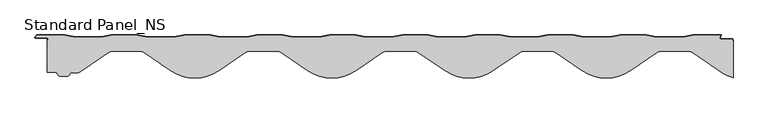
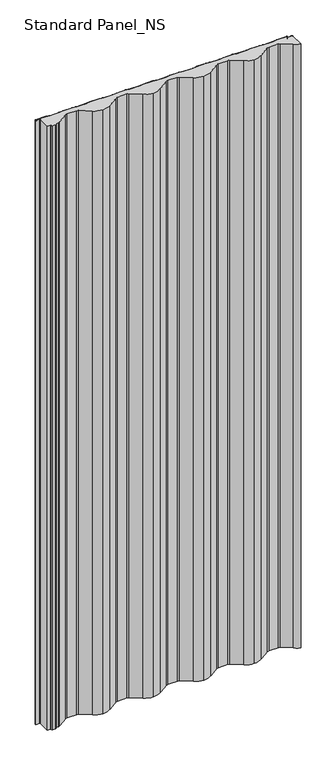
"""IFC4 building model written with IfcOpenShell, lengths in millimetres: proxy geometry, Standard Panel_NS."""

from ifc_helpers import new_model, si_unit, point, frame, frame_2d, origin, origin_with_axes, place, context, project, spatial, polyline, circle_curve, trimmed, segment, composite_curve, outline, extrude, source, transform, mapped, element, save
from ifc_brep_helpers import plane_surface, cylinder_surface, revolved_surface, advanced_brep


def standard_panel_ns_5efe42e7(model_context):
    return source(origin(), model_context, "Body", "SolidModel", [
        advanced_brep(
        [(395.5323329, -23.5, 2527.968552), (434.1321477, -23.5, 2527.968552), (440.3874796, -25.4959769, 2527.968552), (477.7645921, -50.7322407, 2527.968552), (500.0000907, -62.14035, 2527.968552), (500.0000907, -9.4001722, 2527.968552), (499.2000907, -9.4001722, 2527.968552), (499.2000907, -7.4001714, 2527.968552), (497.9000914, -6.1001721, 2527.968552), (482.3140213, -6.1001721, 2527.968552), (480.8040321, -3.3204106, 2527.968552), (482.4394089, -0.8, 2527.968552), (441.3313007, -0.8, 2527.968552), (426.3313007, -3.3, 2527.968552), (388.1988807, -3.3, 2527.968552), (373.1988807, -0.8, 2527.968552), (335.3313007, -0.8, 2527.968552), (320.3313007, -3.3, 2527.968552), (282.1988807, -3.3, 2527.968552), (267.1988807, -0.8, 2527.968552), (229.3313007, -0.8, 2527.968552), (214.3313007, -3.3, 2527.968552), (176.1988807, -3.3, 2527.968552), (161.1988807, -0.8, 2527.968552), (123.3313007, -0.8, 2527.968552), (108.3313007, -3.3, 2527.968552), (70.1988807, -3.3, 2527.968552), (55.1988807, -0.8, 2527.968552), (17.3313007, -0.8, 2527.968552), (2.3313007, -3.3, 2527.968552), (-35.8011193, -3.3, 2527.968552), (-50.8011193, -0.8, 2527.968552), (-88.6686993, -0.8, 2527.968552), (-103.6686993, -3.3, 2527.968552), (-141.8011193, -3.3, 2527.968552), (-156.8011193, -0.8, 2527.968552), (-194.6686993, -0.8, 2527.968552), (-209.6686993, -3.3, 2527.968552), (-247.8011193, -3.3, 2527.968552), (-262.8011193, -0.8, 2527.968552), (-300.6686993, -0.8, 2527.968552), (-315.6686993, -3.3, 2527.968552), (-353.8011193, -3.3, 2527.968552), (-368.8011193, -0.8, 2527.968552), (-406.6686993, -0.8, 2527.968552), (-421.6686993, -3.3, 2527.968552), (-459.8011193, -3.3, 2527.968552), (-474.8011193, -0.8, 2527.968552), (-515.6532927, -0.8, 2527.968552), (-517.7297352, -4.0001723, 2527.968552), (-501.399909, -4.0001723, 2527.968552), (-499.1999093, -6.2001721, 2527.968552), (-499.1999093, -8.130172, 2527.968552), (-499.9999093, -8.130172, 2527.968552), (-499.9999093, -54.4964332, 2527.968552), (-487.3351296, -55.0947438, 2527.968552), (-485.5592106, -56.6012998, 2527.968552), (-482.1786224, -60.0466465, 2527.968552), (-470.5868875, -60.0466486, 2527.968552), (-467.2062902, -56.6011784, 2527.968552), (-465.4302124, -55.09444, 2527.968552), (-456.0900423, -55.09444, 2527.968552), (-453.5825161, -54.3696166, 2527.968552), (-450.2545801, -52.1086168, 2527.968552), (-410.7229082, -25.4954367, 2527.968552), (-404.4674259, -23.4994091, 2527.968552), (-365.8686419, -23.4994091, 2527.968552), (-359.6038439, -25.5038768, 2527.968552), (-320.0592959, -52.1248963, 2527.968552), (-285.1677597, -63.5, 2527.968552), (-250.2544324, -52.1089905, 2527.968552), (-210.7229991, -25.4959769, 2527.968552), (-204.4676671, -23.5, 2527.968552), (-165.8676528, -23.5, 2527.968552), (-159.6084129, -25.4988938, 2527.968552), (-120.081087, -52.1089905, 2527.968552), (-85.1677597, -63.5, 2527.968552), (-50.2544324, -52.1089905, 2527.968552), (-10.7229991, -25.4959769, 2527.968552), (-4.4676671, -23.5, 2527.968552), (34.1323473, -23.5, 2527.968552), (40.3915871, -25.4988938, 2527.968552), (79.918913, -52.1089905, 2527.968552), (114.8322403, -63.5, 2527.968552), (149.7455676, -52.1089905, 2527.968552), (189.2770009, -25.4959769, 2527.968552), (195.5323329, -23.5, 2527.968552), (234.1323472, -23.5, 2527.968552), (240.3915871, -25.4988938, 2527.968552), (279.918913, -52.1089905, 2527.968552), (314.8322403, -63.5, 2527.968552), (349.7455676, -52.1089905, 2527.968552), (389.2770009, -25.4959769, 2527.968552), (395.5323329, -23.5, 0.0), (389.2770009, -25.4959769, 0.0), (349.7455676, -52.1089905, 0.0), (314.8322403, -63.5, 0.0), (279.918913, -52.1089905, 0.0), (240.3915864, -25.4988948, 0.0), (234.1323472, -23.5, 0.0), (195.5323329, -23.5, 0.0), (189.2770009, -25.4959769, 0.0), (149.7455676, -52.1089905, 0.0), (114.8322403, -63.5, 0.0), (79.918913, -52.1089905, 0.0), (40.3915864, -25.4988948, 0.0), (34.1323473, -23.5, 0.0), (-4.4676671, -23.5, 0.0), (-10.7229991, -25.4959769, 0.0), (-50.2544324, -52.1089905, 0.0), (-85.1677597, -63.5, 0.0), (-120.081087, -52.1089905, 0.0), (-159.6084136, -25.4988948, 0.0), (-165.8676528, -23.5, 0.0), (-204.4676671, -23.5, 0.0), (-210.7229991, -25.4959769, 0.0), (-250.2544324, -52.1089905, 0.0), (-285.1677597, -63.5, 0.0), (-320.0592959, -52.1248963, 0.0), (-359.6038434, -25.503876, 0.0), (-365.8686419, -23.4994091, 0.0), (-404.4674259, -23.4994091, 0.0), (-410.7229092, -25.4954353, 0.0), (-450.2545801, -52.1086168, 0.0), (-453.5825162, -54.3696165, 0.0), (-456.0900423, -55.09444, 0.0), (-465.4302124, -55.09444, 0.0), (-467.2062902, -56.6011784, 0.0), (-470.5868875, -60.0466486, 0.0), (-482.1786224, -60.0466465, 0.0), (-485.5592106, -56.6012998, 0.0), (-487.3351296, -55.0947436, 0.0), (-499.9999093, -54.4964332, 0.0), (-499.9999093, -8.130172, 0.0), (-499.1999093, -8.130172, 0.0), (-499.1999093, -6.2001721, 0.0), (-501.399909, -4.0001723, 0.0), (-517.7297352, -4.0001723, 0.0), (-515.6532927, -0.8, 0.0), (-474.8011193, -0.8, 0.0), (-459.8011193, -3.3, 0.0), (-421.6686993, -3.3, 0.0), (-406.6686993, -0.8, 0.0), (-368.8011193, -0.8, 0.0), (-353.8011193, -3.3, 0.0), (-315.6686993, -3.3, 0.0), (-300.6686993, -0.8, 0.0), (-262.8011193, -0.8, 0.0), (-247.8011193, -3.3, 0.0), (-209.6686993, -3.3, 0.0), (-194.6686993, -0.8, 0.0), (-156.8011193, -0.8, 0.0), (-141.8011193, -3.3, 0.0), (-103.6686993, -3.3, 0.0), (-88.6686993, -0.8, 0.0), (-50.8011193, -0.8, 0.0), (-35.8011193, -3.3, 0.0), (2.3313007, -3.3, 0.0), (17.3313007, -0.8, 0.0), (55.1988807, -0.8, 0.0), (70.1988807, -3.3, 0.0), (108.3313007, -3.3, 0.0), (123.3313007, -0.8, 0.0), (161.1988807, -0.8, 0.0), (176.1988807, -3.3, 0.0), (214.3313007, -3.3, 0.0), (229.3313007, -0.8, 0.0), (267.1988807, -0.8, 0.0), (282.1988807, -3.3, 0.0), (320.3313007, -3.3, 0.0), (335.3313007, -0.8, 0.0), (373.1988807, -0.8, 0.0), (388.1988807, -3.3, 0.0), (426.3313007, -3.3, 0.0), (441.3313007, -0.8, 0.0), (482.4394089, -0.8, 0.0), (480.8040321, -3.3204106, 0.0), (482.3140213, -6.1001721, 0.0), (497.9000914, -6.1001721, 0.0), (499.2000907, -7.4001714, 0.0), (499.2000907, -9.4001722, 0.0), (500.0000907, -9.4001722, 0.0), (500.0000907, -62.14035, 0.0), (477.7645921, -50.7322407, 0.0), (440.3874796, -25.4959769, 0.0), (434.1321477, -23.5, 0.0)],
        [
            (0, 1),
            (1, 2, circle_curve(frame((434.1321477, -34.3, 2527.968552), z_axis=(0.0, 0.0, -1.0), x_axis=(1.0, 0.0, 0.0)), 10.8)),
            (2, 3, circle_curve(frame((987.5778771, 744.6433117, 2527.968552), z_axis=(0.0, 0.0, 1.0), x_axis=(1.0, 0.0, 0.0)), 944.7390407)),
            (3, 4, circle_curve(frame((515.2973576, -4.9508962, 2527.968552), z_axis=(0.0, 0.0, 1.0), x_axis=(1.0, 0.0, 0.0)), 59.2)),
            (4, 5),
            (5, 6),
            (6, 7),
            (7, 8, circle_curve(frame((497.9000914, -7.4001714, 2527.968552), z_axis=(0.0, 0.0, 1.0), x_axis=(1.0, 0.0, 0.0)), 1.2999993)),
            (8, 9),
            (9, 10, circle_curve(frame((482.3140213, -4.3001721, 2527.968552), z_axis=(0.0, 0.0, -1.0), x_axis=(1.0, 0.0, 0.0)), 1.8)),
            (10, 11),
            (11, 12),
            (12, 13),
            (13, 14),
            (14, 15),
            (15, 16),
            (16, 17),
            (17, 18),
            (18, 19),
            (19, 20),
            (20, 21),
            (21, 22),
            (22, 23),
            (23, 24),
            (24, 25),
            (25, 26),
            (26, 27),
            (27, 28),
            (28, 29),
            (29, 30),
            (30, 31),
            (31, 32),
            (32, 33),
            (33, 34),
            (34, 35),
            (35, 36),
            (36, 37),
            (37, 38),
            (38, 39),
            (39, 40),
            (40, 41),
            (41, 42),
            (42, 43),
            (43, 44),
            (44, 45),
            (45, 46),
            (46, 47),
            (47, 48),
            (48, 49),
            (49, 50),
            (50, 51, circle_curve(frame((-501.399909, -6.2001721, 2527.968552), z_axis=(0.0, 0.0, -1.0), x_axis=(1.0, 0.0, 0.0)), 2.1999997)),
            (51, 52),
            (52, 53),
            (53, 54),
            (54, 55, circle_curve(frame((-487.3351296, 79.2457036, 2527.968552), z_axis=(0.0, 0.0, 1.0), x_axis=(1.0, 0.0, 0.0)), 134.3404474)),
            (55, 56, circle_curve(frame((-487.3351296, -56.8947428, 2527.968552), z_axis=(0.0, 0.0, -1.0), x_axis=(1.0, 0.0, 0.0)), 1.7999992)),
            (56, 57, circle_curve(frame((-481.4154327, -55.9166048, 2527.968552), z_axis=(0.0, 0.0, 1.0), x_axis=(1.0, 0.0, 0.0)), 4.1999646)),
            (57, 58, circle_curve(frame((-476.3827477, -19.9354014, 2527.968552), z_axis=(0.0, 0.0, 1.0), x_axis=(1.0, 0.0, 0.0)), 40.5278194)),
            (58, 59, circle_curve(frame((-471.3500849, -55.9166129, 2527.968552), z_axis=(0.0, 0.0, 1.0), x_axis=(1.0, 0.0, 0.0)), 4.1999601)),
            (59, 60, circle_curve(frame((-465.4302124, -56.8945909, 2527.968552), z_axis=(0.0, 0.0, -1.0), x_axis=(1.0, 0.0, 0.0)), 1.8001509)),
            (60, 61),
            (61, 62, circle_curve(frame((-456.0900423, -50.3946355, 2527.968552), z_axis=(0.0, 0.0, 1.0), x_axis=(1.0, 0.0, 0.0)), 4.6998045)),
            (62, 63, circle_curve(frame((-485.1678875, -4.2998482, 2527.968552), z_axis=(0.0, 0.0, 1.0), x_axis=(1.0, 0.0, 0.0)), 59.199809)),
            (63, 64, circle_curve(frame((-957.9133952, 744.6435529, 2527.968552), z_axis=(0.0, 0.0, 1.0), x_axis=(1.0, 0.0, 0.0)), 944.7388488)),
            (64, 65, circle_curve(frame((-404.4674259, -34.2996665, 2527.968552), z_axis=(0.0, 0.0, -1.0), x_axis=(1.0, 0.0, 0.0)), 10.8002574)),
            (65, 66),
            (66, 67, circle_curve(frame((-365.8858957, -34.3456225, 2527.968552), z_axis=(0.0, 0.0, -1.0), x_axis=(1.0, 0.0, 0.0)), 10.8462271)),
            (67, 68, circle_curve(frame((187.5821921, 744.6393788, 2527.968552), z_axis=(0.0, 0.0, 1.0), x_axis=(1.0, 0.0, 0.0)), 944.7397474)),
            (68, 69, circle_curve(frame((-285.1677597, -4.3, 2527.968552), z_axis=(0.0, 0.0, 1.0), x_axis=(1.0, 0.0, 0.0)), 59.2)),
            (69, 70, circle_curve(frame((-285.1677597, -4.3, 2527.968552), z_axis=(0.0, 0.0, 1.0), x_axis=(1.0, 0.0, 0.0)), 59.2)),
            (70, 71, circle_curve(frame((-757.9133965, 744.6433117, 2527.968552), z_axis=(0.0, 0.0, 1.0), x_axis=(1.0, 0.0, 0.0)), 944.7390407)),
            (71, 72, circle_curve(frame((-204.4676671, -34.3, 2527.968552), z_axis=(0.0, 0.0, -1.0), x_axis=(1.0, 0.0, 0.0)), 10.8)),
            (72, 73),
            (73, 74, circle_curve(frame((-165.8729478, -34.3159692, 2527.968552), z_axis=(0.0, 0.0, -1.0), x_axis=(1.0, 0.0, 0.0)), 10.8159704)),
            (74, 75, circle_curve(frame((387.5778771, 744.6433117, 2527.968552), z_axis=(0.0, 0.0, 1.0), x_axis=(1.0, 0.0, 0.0)), 944.7390407)),
            (75, 76, circle_curve(frame((-85.1677597, -4.3, 2527.968552), z_axis=(0.0, 0.0, 1.0), x_axis=(1.0, 0.0, 0.0)), 59.2)),
            (76, 77, circle_curve(frame((-85.1677597, -4.3, 2527.968552), z_axis=(0.0, 0.0, 1.0), x_axis=(1.0, 0.0, 0.0)), 59.2)),
            (77, 78, circle_curve(frame((-557.9133965, 744.6433117, 2527.968552), z_axis=(0.0, 0.0, 1.0), x_axis=(1.0, 0.0, 0.0)), 944.7390407)),
            (78, 79, circle_curve(frame((-4.4676671, -34.3, 2527.968552), z_axis=(0.0, 0.0, -1.0), x_axis=(1.0, 0.0, 0.0)), 10.8)),
            (79, 80),
            (80, 81, circle_curve(frame((34.1270522, -34.3159692, 2527.968552), z_axis=(0.0, 0.0, -1.0), x_axis=(1.0, 0.0, 0.0)), 10.8159704)),
            (81, 82, circle_curve(frame((587.5778771, 744.6433117, 2527.968552), z_axis=(0.0, 0.0, 1.0), x_axis=(1.0, 0.0, 0.0)), 944.7390407)),
            (82, 83, circle_curve(frame((114.8322403, -4.3, 2527.968552), z_axis=(0.0, 0.0, 1.0), x_axis=(1.0, 0.0, 0.0)), 59.2)),
            (83, 84, circle_curve(frame((114.8322403, -4.3, 2527.968552), z_axis=(0.0, 0.0, 1.0), x_axis=(1.0, 0.0, 0.0)), 59.2)),
            (84, 85, circle_curve(frame((-357.9133965, 744.6433117, 2527.968552), z_axis=(0.0, 0.0, 1.0), x_axis=(1.0, 0.0, 0.0)), 944.7390407)),
            (85, 86, circle_curve(frame((195.5323329, -34.3, 2527.968552), z_axis=(0.0, 0.0, -1.0), x_axis=(1.0, 0.0, 0.0)), 10.8)),
            (86, 87),
            (87, 88, circle_curve(frame((234.1270522, -34.3159692, 2527.968552), z_axis=(0.0, 0.0, -1.0), x_axis=(1.0, 0.0, 0.0)), 10.8159704)),
            (88, 89, circle_curve(frame((787.5778771, 744.6433117, 2527.968552), z_axis=(0.0, 0.0, 1.0), x_axis=(1.0, 0.0, 0.0)), 944.7390407)),
            (89, 90, circle_curve(frame((314.8322403, -4.3, 2527.968552), z_axis=(0.0, 0.0, 1.0), x_axis=(1.0, 0.0, 0.0)), 59.2)),
            (90, 91, circle_curve(frame((314.8322403, -4.3, 2527.968552), z_axis=(0.0, 0.0, 1.0), x_axis=(1.0, 0.0, 0.0)), 59.2)),
            (91, 92, circle_curve(frame((-157.9133965, 744.6433117, 2527.968552), z_axis=(0.0, 0.0, 1.0), x_axis=(1.0, 0.0, 0.0)), 944.7390407)),
            (92, 0, circle_curve(frame((395.5323329, -34.3, 2527.968552), z_axis=(0.0, 0.0, -1.0), x_axis=(1.0, 0.0, 0.0)), 10.8)),
            (93, 94, circle_curve(frame((395.5323329, -34.3, 0.0), z_axis=(0.0, 0.0, 1.0), x_axis=(1.0, 0.0, 0.0)), 10.8)),
            (94, 95, circle_curve(frame((-157.9133965, 744.6433117, 0.0), z_axis=(0.0, 0.0, -1.0), x_axis=(1.0, 0.0, 0.0)), 944.7390407)),
            (95, 96, circle_curve(frame((314.8322403, -4.3, 0.0), z_axis=(0.0, 0.0, -1.0), x_axis=(1.0, 0.0, 0.0)), 59.2)),
            (96, 97, circle_curve(frame((314.8322403, -4.3, 0.0), z_axis=(0.0, 0.0, -1.0), x_axis=(1.0, 0.0, 0.0)), 59.2)),
            (97, 98, circle_curve(frame((787.5778771, 744.6433117, 0.0), z_axis=(0.0, 0.0, -1.0), x_axis=(1.0, 0.0, 0.0)), 944.7390407)),
            (98, 99, circle_curve(frame((234.1270522, -34.3159692, 0.0), z_axis=(0.0, 0.0, 1.0), x_axis=(1.0, 0.0, 0.0)), 10.8159704)),
            (99, 100),
            (100, 101, circle_curve(frame((195.5323329, -34.3, 0.0), z_axis=(0.0, 0.0, 1.0), x_axis=(1.0, 0.0, 0.0)), 10.8)),
            (101, 102, circle_curve(frame((-357.9133965, 744.6433117, 0.0), z_axis=(0.0, 0.0, -1.0), x_axis=(1.0, 0.0, 0.0)), 944.7390407)),
            (102, 103, circle_curve(frame((114.8322403, -4.3, 0.0), z_axis=(0.0, 0.0, -1.0), x_axis=(1.0, 0.0, 0.0)), 59.2)),
            (103, 104, circle_curve(frame((114.8322403, -4.3, 0.0), z_axis=(0.0, 0.0, -1.0), x_axis=(1.0, 0.0, 0.0)), 59.2)),
            (104, 105, circle_curve(frame((587.5778771, 744.6433117, 0.0), z_axis=(0.0, 0.0, -1.0), x_axis=(1.0, 0.0, 0.0)), 944.7390407)),
            (105, 106, circle_curve(frame((34.1270522, -34.3159692, 0.0), z_axis=(0.0, 0.0, 1.0), x_axis=(1.0, 0.0, 0.0)), 10.8159704)),
            (106, 107),
            (107, 108, circle_curve(frame((-4.4676671, -34.3, 0.0), z_axis=(0.0, 0.0, 1.0), x_axis=(1.0, 0.0, 0.0)), 10.8)),
            (108, 109, circle_curve(frame((-557.9133965, 744.6433117, 0.0), z_axis=(0.0, 0.0, -1.0), x_axis=(1.0, 0.0, 0.0)), 944.7390407)),
            (109, 110, circle_curve(frame((-85.1677597, -4.3, 0.0), z_axis=(0.0, 0.0, -1.0), x_axis=(1.0, 0.0, 0.0)), 59.2)),
            (110, 111, circle_curve(frame((-85.1677597, -4.3, 0.0), z_axis=(0.0, 0.0, -1.0), x_axis=(1.0, 0.0, 0.0)), 59.2)),
            (111, 112, circle_curve(frame((387.5778771, 744.6433117, 0.0), z_axis=(0.0, 0.0, -1.0), x_axis=(1.0, 0.0, 0.0)), 944.7390407)),
            (112, 113, circle_curve(frame((-165.8729478, -34.3159692, 0.0), z_axis=(0.0, 0.0, 1.0), x_axis=(1.0, 0.0, 0.0)), 10.8159704)),
            (113, 114),
            (114, 115, circle_curve(frame((-204.4676671, -34.3, 0.0), z_axis=(0.0, 0.0, 1.0), x_axis=(1.0, 0.0, 0.0)), 10.8)),
            (115, 116, circle_curve(frame((-757.9133965, 744.6433117, 0.0), z_axis=(0.0, 0.0, -1.0), x_axis=(1.0, 0.0, 0.0)), 944.7390407)),
            (116, 117, circle_curve(frame((-285.1677597, -4.3, 0.0), z_axis=(0.0, 0.0, -1.0), x_axis=(1.0, 0.0, 0.0)), 59.2)),
            (117, 118, circle_curve(frame((-285.1677597, -4.3, 0.0), z_axis=(0.0, 0.0, -1.0), x_axis=(1.0, 0.0, 0.0)), 59.2)),
            (118, 119, circle_curve(frame((187.5821921, 744.6393788, 0.0), z_axis=(0.0, 0.0, -1.0), x_axis=(1.0, 0.0, 0.0)), 944.7397474)),
            (119, 120, circle_curve(frame((-365.8858957, -34.3456225, 0.0), z_axis=(0.0, 0.0, 1.0), x_axis=(1.0, 0.0, 0.0)), 10.8462271)),
            (120, 121),
            (121, 122, circle_curve(frame((-404.4674259, -34.2996665, 0.0), z_axis=(0.0, 0.0, 1.0), x_axis=(1.0, 0.0, 0.0)), 10.8002574)),
            (122, 123, circle_curve(frame((-957.9133952, 744.6435529, 0.0), z_axis=(0.0, 0.0, -1.0), x_axis=(1.0, 0.0, 0.0)), 944.7388488)),
            (123, 124, circle_curve(frame((-485.1678875, -4.2998482, 0.0), z_axis=(0.0, 0.0, -1.0), x_axis=(1.0, 0.0, 0.0)), 59.199809)),
            (124, 125, circle_curve(frame((-456.0900423, -50.3946355, 0.0), z_axis=(0.0, 0.0, -1.0), x_axis=(1.0, 0.0, 0.0)), 4.6998045)),
            (125, 126),
            (126, 127, circle_curve(frame((-465.4302124, -56.8945909, 0.0), z_axis=(0.0, 0.0, 1.0), x_axis=(1.0, 0.0, 0.0)), 1.8001509)),
            (127, 128, circle_curve(frame((-471.3500849, -55.9166129, 0.0), z_axis=(0.0, 0.0, -1.0), x_axis=(1.0, 0.0, 0.0)), 4.1999601)),
            (128, 129, circle_curve(frame((-476.3827477, -19.9354014, 0.0), z_axis=(0.0, 0.0, -1.0), x_axis=(1.0, 0.0, 0.0)), 40.5278194)),
            (129, 130, circle_curve(frame((-481.4154327, -55.9166048, 0.0), z_axis=(0.0, 0.0, -1.0), x_axis=(1.0, 0.0, 0.0)), 4.1999646)),
            (130, 131, circle_curve(frame((-487.3351296, -56.8947428, 0.0), z_axis=(0.0, 0.0, 1.0), x_axis=(1.0, 0.0, 0.0)), 1.7999992)),
            (131, 132, circle_curve(frame((-487.3351296, 79.2457036, 0.0), z_axis=(0.0, 0.0, -1.0), x_axis=(1.0, 0.0, 0.0)), 134.3404474)),
            (132, 133),
            (133, 134),
            (134, 135),
            (135, 136, circle_curve(frame((-501.399909, -6.2001721, 0.0), z_axis=(0.0, 0.0, 1.0), x_axis=(1.0, 0.0, 0.0)), 2.1999997)),
            (136, 137),
            (137, 138),
            (138, 139),
            (139, 140),
            (140, 141),
            (141, 142),
            (142, 143),
            (143, 144),
            (144, 145),
            (145, 146),
            (146, 147),
            (147, 148),
            (148, 149),
            (149, 150),
            (150, 151),
            (151, 152),
            (152, 153),
            (153, 154),
            (154, 155),
            (155, 156),
            (156, 157),
            (157, 158),
            (158, 159),
            (159, 160),
            (160, 161),
            (161, 162),
            (162, 163),
            (163, 164),
            (164, 165),
            (165, 166),
            (166, 167),
            (167, 168),
            (168, 169),
            (169, 170),
            (170, 171),
            (171, 172),
            (172, 173),
            (173, 174),
            (174, 175),
            (175, 176),
            (176, 177, circle_curve(frame((482.3140213, -4.3001721, 0.0), z_axis=(0.0, 0.0, 1.0), x_axis=(1.0, 0.0, 0.0)), 1.8)),
            (177, 178),
            (178, 179, circle_curve(frame((497.9000914, -7.4001714, 0.0), z_axis=(0.0, 0.0, -1.0), x_axis=(1.0, 0.0, 0.0)), 1.2999993)),
            (179, 180),
            (180, 181),
            (181, 182),
            (182, 183, circle_curve(frame((515.2973576, -4.9508962, 0.0), z_axis=(0.0, 0.0, -1.0), x_axis=(1.0, 0.0, 0.0)), 59.2)),
            (183, 184, circle_curve(frame((987.5778771, 744.6433117, 0.0), z_axis=(0.0, 0.0, -1.0), x_axis=(1.0, 0.0, 0.0)), 944.7390407)),
            (184, 185, circle_curve(frame((434.1321477, -34.3, 0.0), z_axis=(0.0, 0.0, 1.0), x_axis=(1.0, 0.0, 0.0)), 10.8)),
            (185, 93),
            (92, 94),
            (93, 0),
            (91, 95),
            (90, 96),
            (89, 97),
            (88, 98),
            (87, 99),
            (86, 100),
            (85, 101),
            (84, 102),
            (83, 103),
            (82, 104),
            (81, 105),
            (80, 106),
            (79, 107),
            (78, 108),
            (77, 109),
            (76, 110),
            (75, 111),
            (74, 112),
            (73, 113),
            (72, 114),
            (71, 115),
            (70, 116),
            (69, 117),
            (68, 118),
            (67, 119),
            (66, 120),
            (65, 121),
            (64, 122),
            (63, 123),
            (62, 124),
            (61, 125),
            (60, 126),
            (59, 127),
            (58, 128),
            (57, 129),
            (56, 130),
            (55, 131),
            (54, 132),
            (53, 133),
            (52, 134),
            (51, 135),
            (50, 136),
            (49, 137),
            (48, 138),
            (47, 139),
            (46, 140),
            (45, 141),
            (44, 142),
            (43, 143),
            (42, 144),
            (41, 145),
            (40, 146),
            (39, 147),
            (38, 148),
            (37, 149),
            (36, 150),
            (35, 151),
            (34, 152),
            (33, 153),
            (32, 154),
            (31, 155),
            (30, 156),
            (29, 157),
            (28, 158),
            (27, 159),
            (26, 160),
            (25, 161),
            (24, 162),
            (23, 163),
            (22, 164),
            (21, 165),
            (20, 166),
            (19, 167),
            (18, 168),
            (17, 169),
            (16, 170),
            (15, 171),
            (14, 172),
            (13, 173),
            (12, 174),
            (11, 175),
            (10, 176),
            (9, 177),
            (8, 178),
            (7, 179),
            (6, 180),
            (5, 181),
            (4, 182),
            (3, 183),
            (2, 184),
            (1, 185),
        ],
        [
            plane_surface(frame((9.07e-05, 0.0, 2527.968552), z_axis=(0.0, 0.0, 1.0), x_axis=(0.0, 1.0, 0.0))),
            plane_surface(frame((9.07e-05, 0.0, 0.0), z_axis=(0.0, 0.0, -1.0), x_axis=(0.0, 1.0, 0.0))),
            revolved_surface(polyline([(406.3323329, -34.3, 0.0), (406.3323329, -34.3, 2527.968552)]), (395.5323329, -34.3, 2527.968552), (0.0, 0.0, -1.0)),
            cylinder_surface(frame((-157.9133965, 744.6433117, 2527.968552), z_axis=(0.0, 0.0, 1.0), x_axis=(1.0, 0.0, 0.0)), 944.7390407),
            cylinder_surface(frame((314.8322403, -4.3, 2527.968552), z_axis=(0.0, 0.0, 1.0), x_axis=(1.0, 0.0, 0.0)), 59.2),
            cylinder_surface(frame((787.5778771, 744.6433117, 2527.968552), z_axis=(0.0, 0.0, 1.0), x_axis=(1.0, 0.0, 0.0)), 944.7390407),
            revolved_surface(polyline([(244.9430226, -34.3159692, 0.0), (244.9430226, -34.3159692, 2527.968552)]), (234.1270522, -34.3159692, 2527.968552), (0.0, 0.0, -1.0)),
            plane_surface(frame((234.1323472, -23.5, 2527.968552), z_axis=(0.0, -1.0, 0.0), x_axis=(0.0, 0.0, -1.0))),
            revolved_surface(polyline([(206.3323329, -34.3, 0.0), (206.3323329, -34.3, 2527.968552)]), (195.5323329, -34.3, 2527.968552), (0.0, 0.0, -1.0)),
            cylinder_surface(frame((-357.9133965, 744.6433117, 2527.968552), z_axis=(0.0, 0.0, 1.0), x_axis=(1.0, 0.0, 0.0)), 944.7390407),
            cylinder_surface(frame((114.8322403, -4.3, 2527.968552), z_axis=(0.0, 0.0, 1.0), x_axis=(1.0, 0.0, 0.0)), 59.2),
            cylinder_surface(frame((587.5778771, 744.6433117, 2527.968552), z_axis=(0.0, 0.0, 1.0), x_axis=(1.0, 0.0, 0.0)), 944.7390407),
            revolved_surface(polyline([(44.9430226, -34.3159692, 0.0), (44.9430226, -34.3159692, 2527.968552)]), (34.1270522, -34.3159692, 2527.968552), (0.0, 0.0, -1.0)),
            plane_surface(frame((34.1323473, -23.5, 2527.968552), z_axis=(0.0, -1.0, 0.0), x_axis=(0.0, 0.0, -1.0))),
            revolved_surface(polyline([(6.332332900000001, -34.3, 0.0), (6.332332900000001, -34.3, 2527.968552)]), (-4.4676671, -34.3, 2527.968552), (0.0, 0.0, -1.0)),
            cylinder_surface(frame((-557.9133965, 744.6433117, 2527.968552), z_axis=(0.0, 0.0, 1.0), x_axis=(1.0, 0.0, 0.0)), 944.7390407),
            cylinder_surface(frame((-85.1677597, -4.3, 2527.968552), z_axis=(0.0, 0.0, 1.0), x_axis=(1.0, 0.0, 0.0)), 59.2),
            cylinder_surface(frame((387.5778771, 744.6433117, 2527.968552), z_axis=(0.0, 0.0, 1.0), x_axis=(1.0, 0.0, 0.0)), 944.7390407),
            revolved_surface(polyline([(-155.0569774, -34.3159692, 0.0), (-155.0569774, -34.3159692, 2527.968552)]), (-165.8729478, -34.3159692, 2527.968552), (0.0, 0.0, -1.0)),
            plane_surface(frame((-165.8676528, -23.5, 2527.968552), z_axis=(0.0, -1.0, 0.0), x_axis=(0.0, 0.0, -1.0))),
            revolved_surface(polyline([(-193.6676671, -34.3, 0.0), (-193.6676671, -34.3, 2527.968552)]), (-204.4676671, -34.3, 2527.968552), (0.0, 0.0, -1.0)),
            cylinder_surface(frame((-757.9133965, 744.6433117, 2527.968552), z_axis=(0.0, 0.0, 1.0), x_axis=(1.0, 0.0, 0.0)), 944.7390407),
            cylinder_surface(frame((-285.1677597, -4.3, 2527.968552), z_axis=(0.0, 0.0, 1.0), x_axis=(1.0, 0.0, 0.0)), 59.2),
            cylinder_surface(frame((187.5821921, 744.6393788, 2527.968552), z_axis=(0.0, 0.0, 1.0), x_axis=(1.0, 0.0, 0.0)), 944.7397474),
            revolved_surface(polyline([(-355.03966859999997, -34.3456225, 0.0), (-355.03966859999997, -34.3456225, 2527.968552)]), (-365.8858957, -34.3456225, 2527.968552), (0.0, 0.0, -1.0)),
            plane_surface(frame((-365.8686419, -23.4994091, 2527.968552), z_axis=(0.0, -1.0, 0.0), x_axis=(0.0, 0.0, -1.0))),
            revolved_surface(polyline([(-393.6671685, -34.2996665, 0.0), (-393.6671685, -34.2996665, 2527.968552)]), (-404.4674259, -34.2996665, 2527.968552), (0.0, 0.0, -1.0)),
            cylinder_surface(frame((-957.9133952, 744.6435529, 2527.968552), z_axis=(0.0, 0.0, 1.0), x_axis=(1.0, 0.0, 0.0)), 944.7388488),
            cylinder_surface(frame((-485.1678875, -4.2998482, 2527.968552), z_axis=(0.0, 0.0, 1.0), x_axis=(1.0, 0.0, 0.0)), 59.199809),
            cylinder_surface(frame((-456.0900423, -50.3946355, 2527.968552), z_axis=(0.0, 0.0, 1.0), x_axis=(1.0, 0.0, 0.0)), 4.6998045),
            plane_surface(frame((-456.0900423, -55.09444, 2527.968552), z_axis=(0.0, -1.0, 0.0), x_axis=(0.0, 0.0, -1.0))),
            revolved_surface(polyline([(-463.6300615, -56.8945909, 0.0), (-463.6300615, -56.8945909, 2527.968552)]), (-465.4302124, -56.8945909, 2527.968552), (0.0, 0.0, -1.0)),
            cylinder_surface(frame((-471.3500849, -55.9166129, 2527.968552), z_axis=(0.0, 0.0, 1.0), x_axis=(1.0, 0.0, 0.0)), 4.1999601),
            cylinder_surface(frame((-476.3827477, -19.9354014, 2527.968552), z_axis=(0.0, 0.0, 1.0), x_axis=(1.0, 0.0, 0.0)), 40.5278194),
            cylinder_surface(frame((-481.4154327, -55.9166048, 2527.968552), z_axis=(0.0, 0.0, 1.0), x_axis=(1.0, 0.0, 0.0)), 4.1999646),
            revolved_surface(polyline([(-485.5351304, -56.8947428, 0.0), (-485.5351304, -56.8947428, 2527.968552)]), (-487.3351296, -56.8947428, 2527.968552), (0.0, 0.0, -1.0)),
            cylinder_surface(frame((-487.3351296, 79.2457036, 2527.968552), z_axis=(0.0, 0.0, 1.0), x_axis=(1.0, 0.0, 0.0)), 134.3404474),
            plane_surface(frame((-499.9999093, -54.4964332, 2527.968552), z_axis=(-1.0, 0.0, 0.0), x_axis=(0.0, 0.0, -1.0))),
            plane_surface(frame((-499.9999093, -8.130172, 2527.968552), z_axis=(0.0, 1.0, 0.0), x_axis=(0.0, 0.0, -1.0))),
            plane_surface(frame((-499.1999093, -8.130172, 2527.968552), z_axis=(-1.0, 0.0, 0.0), x_axis=(0.0, 0.0, -1.0))),
            revolved_surface(polyline([(-499.1999093, -6.2001721, 0.0), (-499.1999093, -6.2001721, 2527.968552)]), (-501.399909, -6.2001721, 2527.968552), (0.0, 0.0, -1.0)),
            plane_surface(frame((-501.399909, -4.0001723, 2527.968552), z_axis=(0.0, -1.0, 0.0), x_axis=(0.0, 0.0, -1.0))),
            plane_surface(frame((-517.7297352, -4.0001723, 2527.968552), z_axis=(-0.838882890057922, 0.5443119480298668, 0.0), x_axis=(0.0, 0.0, -1.0))),
            plane_surface(frame((-497.7322786, -0.8, 2527.968552), z_axis=(0.0, 1.0, 0.0), x_axis=(0.0, 0.0, -1.0))),
            plane_surface(frame((-474.8011193, -0.8, 2527.968552), z_axis=(0.16439898730536118, 0.9863939238321431, 0.0), x_axis=(0.0, 0.0, -1.0))),
            plane_surface(frame((-459.8011193, -3.3, 2527.968552), z_axis=(0.0, 1.0, 0.0), x_axis=(0.0, 0.0, -1.0))),
            plane_surface(frame((-421.6686993, -3.3, 2527.968552), z_axis=(-0.1643989873053548, 0.9863939238321442, 0.0), x_axis=(0.0, 0.0, -1.0))),
            plane_surface(frame((-406.6686993, -0.8, 2527.968552), z_axis=(0.0, 1.0, 0.0), x_axis=(0.0, 0.0, -1.0))),
            plane_surface(frame((-368.8011193, -0.8, 2527.968552), z_axis=(0.16439898730536118, 0.9863939238321431, 0.0), x_axis=(0.0, 0.0, -1.0))),
            plane_surface(frame((-353.8011193, -3.3, 2527.968552), z_axis=(0.0, 1.0, 0.0), x_axis=(0.0, 0.0, -1.0))),
            plane_surface(frame((-315.6686993, -3.3, 2527.968552), z_axis=(-0.1643989873053548, 0.9863939238321442, 0.0), x_axis=(0.0, 0.0, -1.0))),
            plane_surface(frame((-300.6686993, -0.8, 2527.968552), z_axis=(0.0, 1.0, 0.0), x_axis=(0.0, 0.0, -1.0))),
            plane_surface(frame((-262.8011193, -0.8, 2527.968552), z_axis=(0.16439898730536084, 0.9863939238321432, 0.0), x_axis=(0.0, 0.0, -1.0))),
            plane_surface(frame((-247.8011193, -3.3, 2527.968552), z_axis=(0.0, 1.0, 0.0), x_axis=(0.0, 0.0, -1.0))),
            plane_surface(frame((-209.6686993, -3.3, 2527.968552), z_axis=(-0.16439898730535482, 0.9863939238321442, 0.0), x_axis=(0.0, 0.0, -1.0))),
            plane_surface(frame((-194.6686993, -0.8, 2527.968552), z_axis=(0.0, 1.0, 0.0), x_axis=(0.0, 0.0, -1.0))),
            plane_surface(frame((-156.8011193, -0.8, 2527.968552), z_axis=(0.1643989873053612, 0.9863939238321431, 0.0), x_axis=(0.0, 0.0, -1.0))),
            plane_surface(frame((-141.8011193, -3.3, 2527.968552), z_axis=(0.0, 1.0, 0.0), x_axis=(0.0, 0.0, -1.0))),
            plane_surface(frame((-103.6686993, -3.3, 2527.968552), z_axis=(-0.16439898730535482, 0.9863939238321442, 0.0), x_axis=(0.0, 0.0, -1.0))),
            plane_surface(frame((-88.6686993, -0.8, 2527.968552), z_axis=(0.0, 1.0, 0.0), x_axis=(0.0, 0.0, -1.0))),
            plane_surface(frame((-50.8011193, -0.8, 2527.968552), z_axis=(0.1643989873053612, 0.9863939238321432, 0.0), x_axis=(0.0, 0.0, -1.0))),
            plane_surface(frame((-35.8011193, -3.3, 2527.968552), z_axis=(0.0, 1.0, 0.0), x_axis=(0.0, 0.0, -1.0))),
            plane_surface(frame((2.3313007, -3.3, 2527.968552), z_axis=(-0.16439898730535413, 0.9863939238321443, 0.0), x_axis=(0.0, 0.0, -1.0))),
            plane_surface(frame((17.3313007, -0.8, 2527.968552), z_axis=(0.0, 1.0, 0.0), x_axis=(0.0, 0.0, -1.0))),
            plane_surface(frame((55.1988807, -0.8, 2527.968552), z_axis=(0.1643989873053605, 0.9863939238321432, 0.0), x_axis=(0.0, 0.0, -1.0))),
            plane_surface(frame((70.1988807, -3.3, 2527.968552), z_axis=(0.0, 1.0, 0.0), x_axis=(0.0, 0.0, -1.0))),
            plane_surface(frame((108.3313007, -3.3, 2527.968552), z_axis=(-0.16439898730535482, 0.9863939238321442, 0.0), x_axis=(0.0, 0.0, -1.0))),
            plane_surface(frame((123.3313007, -0.8, 2527.968552), z_axis=(0.0, 1.0, 0.0), x_axis=(0.0, 0.0, -1.0))),
            plane_surface(frame((161.1988807, -0.8, 2527.968552), z_axis=(0.1643989873053612, 0.9863939238321431, 0.0), x_axis=(0.0, 0.0, -1.0))),
            plane_surface(frame((176.1988807, -3.3, 2527.968552), z_axis=(0.0, 1.0, 0.0), x_axis=(0.0, 0.0, -1.0))),
            plane_surface(frame((214.3313007, -3.3, 2527.968552), z_axis=(-0.16439898730535482, 0.9863939238321442, 0.0), x_axis=(0.0, 0.0, -1.0))),
            plane_surface(frame((229.3313007, -0.8, 2527.968552), z_axis=(0.0, 1.0, 0.0), x_axis=(0.0, 0.0, -1.0))),
            plane_surface(frame((267.1988807, -0.8, 2527.968552), z_axis=(0.1643989873053612, 0.9863939238321431, 0.0), x_axis=(0.0, 0.0, -1.0))),
            plane_surface(frame((282.1988807, -3.3, 2527.968552), z_axis=(0.0, 1.0, 0.0), x_axis=(0.0, 0.0, -1.0))),
            plane_surface(frame((320.3313007, -3.3, 2527.968552), z_axis=(-0.1643989873053548, 0.9863939238321442, 0.0), x_axis=(0.0, 0.0, -1.0))),
            plane_surface(frame((335.3313007, -0.8, 2527.968552), z_axis=(0.0, 1.0, 0.0), x_axis=(0.0, 0.0, -1.0))),
            plane_surface(frame((373.1988807, -0.8, 2527.968552), z_axis=(0.16439898730536118, 0.9863939238321431, 0.0), x_axis=(0.0, 0.0, -1.0))),
            plane_surface(frame((388.1988807, -3.3, 2527.968552), z_axis=(0.0, 1.0, 0.0), x_axis=(0.0, 0.0, -1.0))),
            plane_surface(frame((426.3313007, -3.3, 2527.968552), z_axis=(-0.1643989873053548, 0.9863939238321442, 0.0), x_axis=(0.0, 0.0, -1.0))),
            plane_surface(frame((441.3313007, -0.8, 2527.968552), z_axis=(0.0, 1.0, 0.0), x_axis=(0.0, 0.0, -1.0))),
            plane_surface(frame((482.4394089, -0.8, 2527.968552), z_axis=(0.838882890058634, -0.5443119480287694, 0.0), x_axis=(0.0, 0.0, -1.0))),
            revolved_surface(polyline([(484.1140213, -4.3001721, 0.0), (484.1140213, -4.3001721, 2527.968552)]), (482.3140213, -4.3001721, 2527.968552), (0.0, 0.0, -1.0)),
            plane_surface(frame((482.3140213, -6.1001721, 2527.968552), z_axis=(0.0, 1.0, 0.0), x_axis=(0.0, 0.0, -1.0))),
            cylinder_surface(frame((497.9000914, -7.4001714, 2527.968552), z_axis=(0.0, 0.0, 1.0), x_axis=(1.0, 0.0, 0.0)), 1.2999993),
            plane_surface(frame((499.2000907, -7.4001714, 2527.968552), z_axis=(1.0, 0.0, 0.0), x_axis=(0.0, 0.0, -1.0))),
            plane_surface(frame((499.2000907, -9.4001722, 2527.968552), z_axis=(0.0, 1.0, 0.0), x_axis=(0.0, 0.0, -1.0))),
            plane_surface(frame((500.0000907, -9.4001722, 2527.968552), z_axis=(1.0, 0.0, 0.0), x_axis=(0.0, 0.0, -1.0))),
            cylinder_surface(frame((515.2973576, -4.9508962, 2527.968552), z_axis=(0.0, 0.0, 1.0), x_axis=(1.0, 0.0, 0.0)), 59.2),
            cylinder_surface(frame((987.5778771, 744.6433117, 2527.968552), z_axis=(0.0, 0.0, 1.0), x_axis=(1.0, 0.0, 0.0)), 944.7390407),
            revolved_surface(polyline([(444.93214770000003, -34.3, 0.0), (444.93214770000003, -34.3, 2527.968552)]), (434.1321477, -34.3, 2527.968552), (0.0, 0.0, -1.0)),
            plane_surface(frame((434.1321477, -23.5, 2527.968552), z_axis=(0.0, -1.0, 0.0), x_axis=(0.0, 0.0, -1.0))),
        ],
        [
            (0, [[1, 2, 3, 4, 5, 6, 7, 8, 9, 10, 11, 12, 13, 14, 15, 16, 17, 18, 19, 20, 21, 22, 23, 24, 25, 26, 27, 28, 29, 30, 31, 32, 33, 34, 35, 36, 37, 38, 39, 40, 41, 42, 43, 44, 45, 46, 47, 48, 49, 50, 51, 52, 53, 54, 55, 56, 57, 58, 59, 60, 61, 62, 63, 64, 65, 66, 67, 68, 69, 70, 71, 72, 73, 74, 75, 76, 77, 78, 79, 80, 81, 82, 83, 84, 85, 86, 87, 88, 89, 90, 91, 92, 93]]),
            (1, [[94, 95, 96, 97, 98, 99, 100, 101, 102, 103, 104, 105, 106, 107, 108, 109, 110, 111, 112, 113, 114, 115, 116, 117, 118, 119, 120, 121, 122, 123, 124, 125, 126, 127, 128, 129, 130, 131, 132, 133, 134, 135, 136, 137, 138, 139, 140, 141, 142, 143, 144, 145, 146, 147, 148, 149, 150, 151, 152, 153, 154, 155, 156, 157, 158, 159, 160, 161, 162, 163, 164, 165, 166, 167, 168, 169, 170, 171, 172, 173, 174, 175, 176, 177, 178, 179, 180, 181, 182, 183, 184, 185, 186]]),
            (2, [[187, -94, 188, -93]]),
            (3, [[189, -95, -187, -92]]),
            (4, [[190, -96, -189, -91]]),
            (4, [[191, -97, -190, -90]]),
            (5, [[192, -98, -191, -89]]),
            (6, [[193, -99, -192, -88]]),
            (7, [[194, -100, -193, -87]]),
            (8, [[195, -101, -194, -86]]),
            (9, [[196, -102, -195, -85]]),
            (10, [[197, -103, -196, -84]]),
            (10, [[198, -104, -197, -83]]),
            (11, [[199, -105, -198, -82]]),
            (12, [[200, -106, -199, -81]]),
            (13, [[201, -107, -200, -80]]),
            (14, [[202, -108, -201, -79]]),
            (15, [[203, -109, -202, -78]]),
            (16, [[204, -110, -203, -77]]),
            (16, [[205, -111, -204, -76]]),
            (17, [[206, -112, -205, -75]]),
            (18, [[207, -113, -206, -74]]),
            (19, [[208, -114, -207, -73]]),
            (20, [[209, -115, -208, -72]]),
            (21, [[210, -116, -209, -71]]),
            (22, [[211, -117, -210, -70]]),
            (22, [[212, -118, -211, -69]]),
            (23, [[213, -119, -212, -68]]),
            (24, [[214, -120, -213, -67]]),
            (25, [[215, -121, -214, -66]]),
            (26, [[216, -122, -215, -65]]),
            (27, [[217, -123, -216, -64]]),
            (28, [[218, -124, -217, -63]]),
            (29, [[219, -125, -218, -62]]),
            (30, [[220, -126, -219, -61]]),
            (31, [[221, -127, -220, -60]]),
            (32, [[222, -128, -221, -59]]),
            (33, [[223, -129, -222, -58]]),
            (34, [[224, -130, -223, -57]]),
            (35, [[225, -131, -224, -56]]),
            (36, [[226, -132, -225, -55]]),
            (37, [[227, -133, -226, -54]]),
            (38, [[228, -134, -227, -53]]),
            (39, [[229, -135, -228, -52]]),
            (40, [[230, -136, -229, -51]]),
            (41, [[231, -137, -230, -50]]),
            (42, [[232, -138, -231, -49]]),
            (43, [[-48, 233, -139, -232]]),
            (44, [[234, -140, -233, -47]]),
            (45, [[235, -141, -234, -46]]),
            (46, [[236, -142, -235, -45]]),
            (47, [[237, -143, -236, -44]]),
            (48, [[238, -144, -237, -43]]),
            (49, [[239, -145, -238, -42]]),
            (50, [[240, -146, -239, -41]]),
            (51, [[241, -147, -240, -40]]),
            (52, [[242, -148, -241, -39]]),
            (53, [[243, -149, -242, -38]]),
            (54, [[244, -150, -243, -37]]),
            (55, [[245, -151, -244, -36]]),
            (56, [[246, -152, -245, -35]]),
            (57, [[247, -153, -246, -34]]),
            (58, [[248, -154, -247, -33]]),
            (59, [[249, -155, -248, -32]]),
            (60, [[250, -156, -249, -31]]),
            (61, [[251, -157, -250, -30]]),
            (62, [[252, -158, -251, -29]]),
            (63, [[253, -159, -252, -28]]),
            (64, [[254, -160, -253, -27]]),
            (65, [[255, -161, -254, -26]]),
            (66, [[256, -162, -255, -25]]),
            (67, [[257, -163, -256, -24]]),
            (68, [[258, -164, -257, -23]]),
            (69, [[259, -165, -258, -22]]),
            (70, [[260, -166, -259, -21]]),
            (71, [[261, -167, -260, -20]]),
            (72, [[262, -168, -261, -19]]),
            (73, [[263, -169, -262, -18]]),
            (74, [[264, -170, -263, -17]]),
            (75, [[265, -171, -264, -16]]),
            (76, [[266, -172, -265, -15]]),
            (77, [[267, -173, -266, -14]]),
            (78, [[268, -174, -267, -13]]),
            (79, [[269, -175, -268, -12]]),
            (80, [[270, -176, -269, -11]]),
            (81, [[271, -177, -270, -10]]),
            (82, [[272, -178, -271, -9]]),
            (83, [[273, -179, -272, -8]]),
            (84, [[274, -180, -273, -7]]),
            (85, [[275, -181, -274, -6]]),
            (86, [[276, -182, -275, -5]]),
            (87, [[277, -183, -276, -4]]),
            (88, [[278, -184, -277, -3]]),
            (89, [[279, -185, -278, -2]]),
            (90, [[-188, -186, -279, -1]]),
        ],
    ),
        extrude(outline(composite_curve([segment(polyline([(500.0000907, -7.4001714), (500.0000907, -9.4001722), (499.2000907, -9.4001722), (499.2000907, -7.4001714)]), True, "CONTINUOUS"), segment(trimmed(circle_curve(frame_2d((497.9000914, -7.4001714)), 1.2999993), [point((499.2000907, -7.4001714))], [point((497.9000914, -6.1001721))], True, "CARTESIAN"), True, "CONTINUOUS"), segment(polyline([(497.9000914, -6.1001721), (482.3140213, -6.1001721)]), True, "CONTINUOUS"), segment(trimmed(circle_curve(frame_2d((482.3140213, -4.3001721)), 1.8), [point((482.3140213, -6.1001721))], [point((480.8040321, -3.3204106))], False, "CARTESIAN"), True, "CONTINUOUS"), segment(polyline([(480.8040321, -3.3204106), (482.4394089, -0.8), (441.3313007, -0.8), (426.3313007, -3.3), (388.1988807, -3.3), (373.1988807, -0.8), (335.3313007, -0.8), (320.3313007, -3.3), (282.1988807, -3.3), (267.1988807, -0.8), (229.3313007, -0.8), (214.3313007, -3.3), (176.1988807, -3.3), (161.1988807, -0.8), (123.3313007, -0.8), (108.3313007, -3.3), (70.1988807, -3.3), (55.1988807, -0.8), (17.3313007, -0.8), (2.3313007, -3.3), (-35.8011193, -3.3), (-50.8011193, -0.8), (-88.6686993, -0.8), (-103.6686993, -3.3), (-141.8011193, -3.3), (-156.8011193, -0.8), (-194.6686993, -0.8), (-209.6686993, -3.3), (-247.8011193, -3.3), (-262.8011193, -0.8), (-300.6686993, -0.8), (-315.6686993, -3.3), (-353.8011193, -3.3), (-368.8011193, -0.8), (-406.6686993, -0.8), (-421.6686993, -3.3), (-459.8011193, -3.3), (-474.8011193, -0.8), (-515.6532927, -0.8), (-517.7297352, -4.0001723), (-501.399909, -4.0001723)]), True, "CONTINUOUS"), segment(trimmed(circle_curve(frame_2d((-501.399909, -6.2001721)), 2.1999997), [point((-501.399909, -4.0001723))], [point((-499.1999093, -6.2001721))], False, "CARTESIAN"), True, "CONTINUOUS"), segment(polyline([(-499.1999093, -6.2001721), (-499.1999093, -8.130172), (-499.9999093, -8.130172), (-499.9999093, -6.2001721)]), True, "CONTINUOUS"), segment(trimmed(circle_curve(frame_2d((-501.399909, -6.2001721)), 1.3999997), [point((-499.9999093, -6.2001721))], [point((-501.399909, -4.8001723))], True, "CARTESIAN"), True, "CONTINUOUS"), segment(polyline([(-501.399909, -4.8001723), (-517.3615522, -4.8001723)]), True, "CONTINUOUS"), segment(trimmed(circle_curve(frame_2d((-517.3615522, -3.8001723)), 1.0), [point((-517.3615522, -4.8001723))], [point((-518.2004351, -3.2558604))], False, "CARTESIAN"), True, "CONTINUOUS"), segment(polyline([(-518.2004351, -3.2558604), (-516.383534, -0.4556881)]), True, "CONTINUOUS"), segment(trimmed(circle_curve(frame_2d((-515.5446511, -1.0)), 1.0), [point((-516.383534, -0.4556881))], [point((-515.5446511, 0.0))], False, "CARTESIAN"), True, "CONTINUOUS"), segment(polyline([(-515.5446511, 0.0), (-474.7349093, 0.0), (-459.7349093, -2.5), (-421.7349093, -2.5), (-406.7349093, 0.0), (-368.7349093, 0.0), (-353.7349093, -2.5), (-315.7349093, -2.5), (-300.7349093, 0.0), (-262.7349093, 0.0), (-247.7349093, -2.5), (-209.7349093, -2.5), (-194.7349093, 0.0), (-156.7349093, 0.0), (-141.7349093, -2.5), (-103.7349093, -2.5), (-88.7349093, 0.0), (-50.7349093, 0.0), (-35.7349093, -2.5), (2.2650907, -2.5), (17.2650907, 0.0), (55.2650907, 0.0), (70.2650907, -2.5), (108.2650907, -2.5), (123.2650907, 0.0), (161.2650907, 0.0), (176.2650907, -2.5), (214.2650907, -2.5), (229.2650907, 0.0), (267.2650907, 0.0), (282.2650907, -2.5), (320.2650907, -2.5), (335.2650907, 0.0), (373.2650907, 0.0), (388.2650907, -2.5), (426.2650907, -2.5), (441.2650907, 0.0), (482.0712259, 0.0)]), True, "CONTINUOUS"), segment(trimmed(circle_curve(frame_2d((482.0712259, -1.0)), 1.0), [point((482.0712259, 0.0))], [point((482.9101088, -1.5443119))], False, "CARTESIAN"), True, "CONTINUOUS"), segment(polyline([(482.9101088, -1.5443119), (481.4751384, -3.7558601)]), True, "CONTINUOUS"), segment(trimmed(circle_curve(frame_2d((482.3140213, -4.3001721)), 1.0), [point((481.4751384, -3.7558601))], [point((482.3140213, -5.3001721))], True, "CARTESIAN"), True, "CONTINUOUS"), segment(polyline([(482.3140213, -5.3001721), (497.9000914, -5.3001721)]), True, "CONTINUOUS"), segment(trimmed(circle_curve(frame_2d((497.9000914, -7.4001714)), 2.0999993), [point((497.9000914, -5.3001721))], [point((500.0000907, -7.4001714))], False, "CARTESIAN"), True, "CONTINUOUS")], self_intersect=False)), origin_with_axes(), (0.0, 0.0, 1.0), 2527.968552),
    ])


if __name__ == "__main__":
    model = new_model("IFC4")
    model_context = context("Model", 3, world=origin())
    ifc_project = project(units=[si_unit("LENGTHUNIT", "METRE", prefix="MILLI")], contexts=[model_context])
    site = spatial("IfcSite", under=ifc_project)
    building = spatial("IfcBuilding", under=site)
    placement = place(None, origin())
    standard_panel_ns_shape = standard_panel_ns_5efe42e7(model_context)
    element("IfcBuildingElementProxy", 1, Name="Standard Panel_NS", ObjectType="Standard Panel_NS", at=placement, inside=building, context=model_context, shape_type="MappedRepresentation", body=[
        mapped(standard_panel_ns_shape, transform((0.0, 0.0, 0.0), x_axis=(1.0, 0.0, 0.0), y_axis=(0.0, 1.0, 0.0), z_axis=(0.0, 0.0, 1.0))),
    ])
    save(model, "model.ifc")
